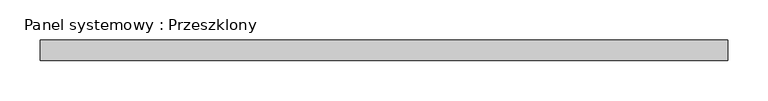
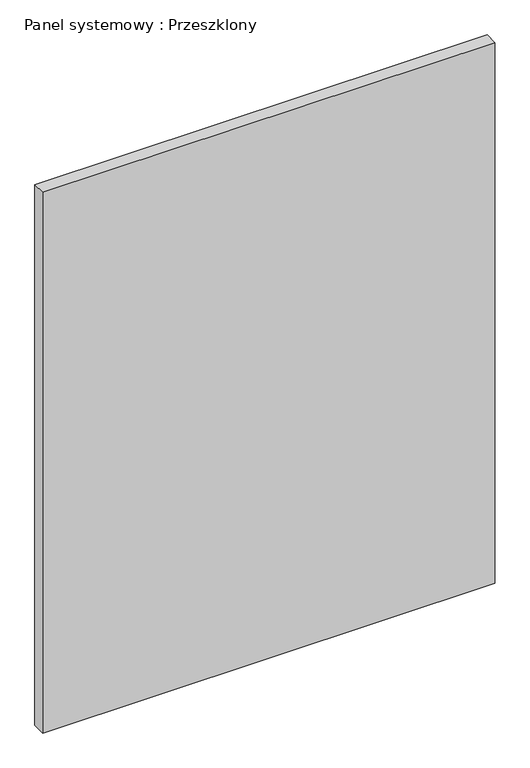
"""IFC4 building model written with IfcOpenShell, lengths in millimetres: plate geometry, Panel systemowy : Przeszklony."""

from ifc_helpers import new_model, si_unit, origin, origin_with_axes, place, context, project, spatial, polyline, outline, extrude, source, transform, mapped, element, save


def panel_systemowy_przeszklony_a239e598(model_context):
    return source(origin(), model_context, "Body", "SweptSolid", [
        extrude(outline(polyline([(425.0, 24.5), (-425.0, 24.5), (-425.0, 49.5), (425.0, 49.5), (425.0, 24.5)])), origin_with_axes(), (0.0, 0.0, 1.0), 1075.0),
    ])


if __name__ == "__main__":
    model = new_model("IFC4")
    model_context = context("Model", 3, world=origin())
    ifc_project = project(units=[si_unit("LENGTHUNIT", "METRE", prefix="MILLI")], contexts=[model_context])
    site = spatial("IfcSite", under=ifc_project)
    building = spatial("IfcBuilding", under=site)
    placement = place(None, origin())
    panel_systemowy_przeszklony_shape = panel_systemowy_przeszklony_a239e598(model_context)
    element("IfcPlate", 1, ObjectType="Panel systemowy : Przeszklony", at=placement, inside=building, context=model_context, shape_type="MappedRepresentation", body=[
        mapped(panel_systemowy_przeszklony_shape, transform((0.0, 0.0, 0.0), x_axis=(1.0, 0.0, 0.0), y_axis=(0.0, 1.0, 0.0), z_axis=(0.0, 0.0, 1.0))),
    ])
    save(model, "model.ifc")
